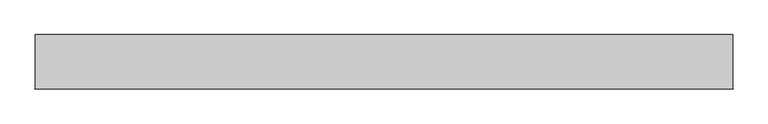
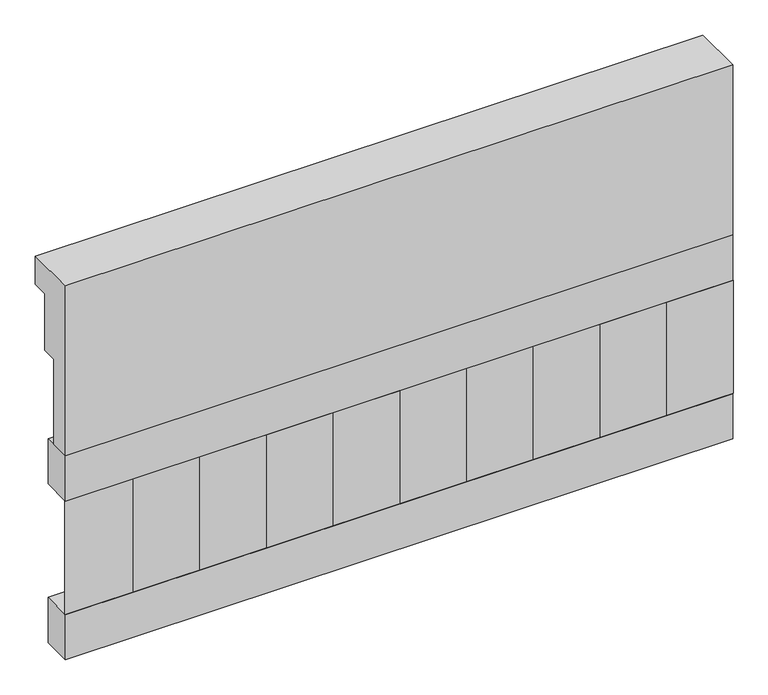
"""IFC4 building model written with IfcOpenShell, lengths in millimetres: railing geometry."""

from ifc_helpers import new_model, si_unit, frame, origin, place, context, project, spatial, polyline, outline, extrude, source, transform, mapped, element, save


def railing_772e4290(model_context):
    return source(origin(), model_context, "Body", "SweptSolid", [
        extrude(outline(polyline([(903.1079487, 28400.0), (1033.1079487, 28400.0), (1033.1079487, 28325.0), (993.1079487, 28325.0), (993.1079487, 28175.0), (953.1079487, 28175.0), (953.1079487, 27950.0), (903.1079487, 27950.0), (903.1079487, 28400.0)])), frame((29560.0112841, 0.0, 0.0), z_axis=(1.0, 0.0, 0.0), x_axis=(0.0, 1.0, 0.0)), (0.0, 0.0, 1.0), 1670.0),
        extrude(outline(polyline([(31230.0112841, 978.1079487), (31230.0112841, 903.1079487), (29560.0112841, 903.1079487), (29560.0112841, 978.1079487), (31230.0112841, 978.1079487)])), frame((0.0, 0.0, 27830.0), z_axis=(0.0, 0.0, 1.0), x_axis=(1.0, 0.0, 0.0)), (0.0, 0.0, 1.0), 120.0),
        extrude(outline(polyline([(31230.0112841, 978.1079487), (31230.0112841, 903.1079487), (29560.0112841, 903.1079487), (29560.0112841, 978.1079487), (31230.0112841, 978.1079487)])), frame((0.0, 0.0, 27410.0), z_axis=(0.0, 0.0, 1.0), x_axis=(1.0, 0.0, 0.0)), (0.0, 0.0, 1.0), 120.0),
        extrude(outline(polyline([(29643.5112841, 987.9607624), (29728.3640978, 903.1079487), (29558.6584704, 903.1079487), (29643.5112841, 987.9607624)])), frame((0.0, 0.0, 27530.0), z_axis=(0.0, 0.0, 1.0), x_axis=(1.0, 0.0, 0.0)), (0.0, 0.0, 1.0), 300.0),
        extrude(outline(polyline([(29810.5112841, 987.9607624), (29895.3640978, 903.1079487), (29725.6584704, 903.1079487), (29810.5112841, 987.9607624)])), frame((0.0, 0.0, 27530.0), z_axis=(0.0, 0.0, 1.0), x_axis=(1.0, 0.0, 0.0)), (0.0, 0.0, 1.0), 300.0),
        extrude(outline(polyline([(29977.5112841, 987.9607624), (30062.3640978, 903.1079487), (29892.6584704, 903.1079487), (29977.5112841, 987.9607624)])), frame((0.0, 0.0, 27530.0), z_axis=(0.0, 0.0, 1.0), x_axis=(1.0, 0.0, 0.0)), (0.0, 0.0, 1.0), 300.0),
        extrude(outline(polyline([(30144.5112841, 987.9607624), (30229.3640978, 903.1079487), (30059.6584704, 903.1079487), (30144.5112841, 987.9607624)])), frame((0.0, 0.0, 27530.0), z_axis=(0.0, 0.0, 1.0), x_axis=(1.0, 0.0, 0.0)), (0.0, 0.0, 1.0), 300.0),
        extrude(outline(polyline([(30311.5112841, 987.9607624), (30396.3640978, 903.1079487), (30226.6584704, 903.1079487), (30311.5112841, 987.9607624)])), frame((0.0, 0.0, 27530.0), z_axis=(0.0, 0.0, 1.0), x_axis=(1.0, 0.0, 0.0)), (0.0, 0.0, 1.0), 300.0),
        extrude(outline(polyline([(30478.5112841, 987.9607624), (30563.3640978, 903.1079487), (30393.6584704, 903.1079487), (30478.5112841, 987.9607624)])), frame((0.0, 0.0, 27530.0), z_axis=(0.0, 0.0, 1.0), x_axis=(1.0, 0.0, 0.0)), (0.0, 0.0, 1.0), 300.0),
        extrude(outline(polyline([(30645.5112841, 987.9607624), (30730.3640978, 903.1079487), (30560.6584704, 903.1079487), (30645.5112841, 987.9607624)])), frame((0.0, 0.0, 27530.0), z_axis=(0.0, 0.0, 1.0), x_axis=(1.0, 0.0, 0.0)), (0.0, 0.0, 1.0), 300.0),
        extrude(outline(polyline([(30812.5112841, 987.9607624), (30897.3640978, 903.1079487), (30727.6584704, 903.1079487), (30812.5112841, 987.9607624)])), frame((0.0, 0.0, 27530.0), z_axis=(0.0, 0.0, 1.0), x_axis=(1.0, 0.0, 0.0)), (0.0, 0.0, 1.0), 300.0),
        extrude(outline(polyline([(30979.5112841, 987.9607624), (31064.3640978, 903.1079487), (30894.6584704, 903.1079487), (30979.5112841, 987.9607624)])), frame((0.0, 0.0, 27530.0), z_axis=(0.0, 0.0, 1.0), x_axis=(1.0, 0.0, 0.0)), (0.0, 0.0, 1.0), 300.0),
        extrude(outline(polyline([(31146.5112841, 987.9607624), (31231.3640978, 903.1079487), (31061.6584704, 903.1079487), (31146.5112841, 987.9607624)])), frame((0.0, 0.0, 27530.0), z_axis=(0.0, 0.0, 1.0), x_axis=(1.0, 0.0, 0.0)), (0.0, 0.0, 1.0), 300.0),
    ])


if __name__ == "__main__":
    model = new_model("IFC4")
    model_context = context("Model", 3, world=origin())
    ifc_project = project(units=[si_unit("LENGTHUNIT", "METRE", prefix="MILLI")], contexts=[model_context])
    site = spatial("IfcSite", under=ifc_project)
    building = spatial("IfcBuilding", under=site)
    placement = place(None, origin())
    railing_shape = railing_772e4290(model_context)
    element("IfcRailing", 1, at=placement, inside=building, context=model_context, shape_type="MappedRepresentation", body=[
        mapped(railing_shape, transform((0.0, 0.0, 0.0), x_axis=(1.0, 0.0, 0.0), y_axis=(0.0, 1.0, 0.0), z_axis=(0.0, 0.0, 1.0))),
    ])
    save(model, "model.ifc")
